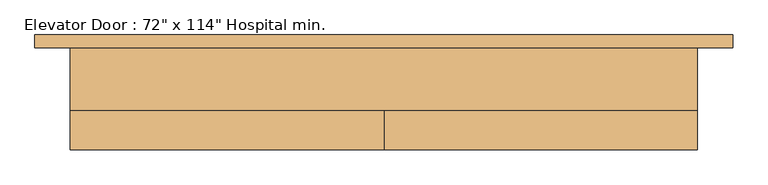
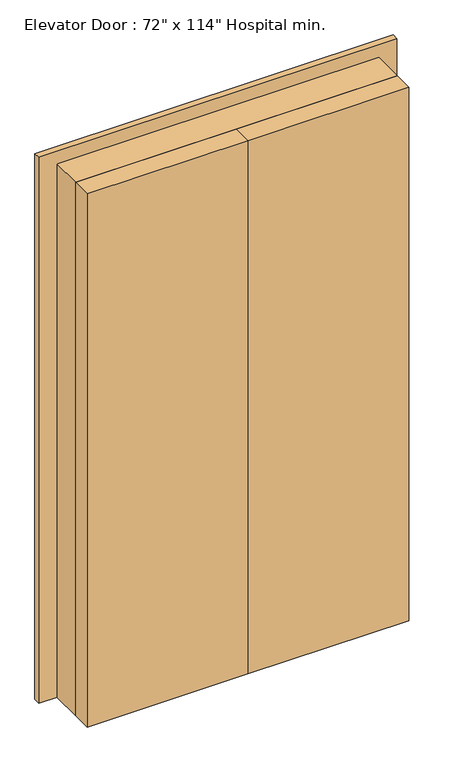
"""IFC4 building model written with IfcOpenShell, lengths in millimetres: door geometry."""

from ifc_helpers import new_model, si_unit, frame, origin, origin_with_axes, place, context, project, spatial, polyline, outline, extrude, source, transform, mapped, element, save


def door_99aececb(model_context):
    return source(origin(), model_context, "Body", "SweptSolid", [
        extrude(outline(polyline([(0.0, -784.9356443), (0.0, -708.7356443), (2133.6, -708.7356443), (2133.6, 510.4643557), (0.0, 510.4643557), (0.0, 586.6643557), (2209.8, 586.6643557), (2209.8, -784.9356443), (0.0, -784.9356443)])), frame((0.0, 61.9125, 0.0), z_axis=(0.0, 1.0, 0.0), x_axis=(0.0, 0.0, 1.0)), (0.0, 0.0, 1.0), 25.4),
        extrude(outline(polyline([(-99.1356443, -61.9125), (-99.1356443, -138.1125), (-715.0856443, -138.1125), (-715.0856443, -61.9125), (-99.1356443, -61.9125)])), origin_with_axes(), (0.0, 0.0, 1.0), 2159.0),
        extrude(outline(polyline([(516.8143557, -61.9125), (516.8143557, -138.1125), (-99.1356443, -138.1125), (-99.1356443, -61.9125), (516.8143557, -61.9125)])), origin_with_axes(), (0.0, 0.0, 1.0), 2159.0),
        extrude(outline(polyline([(0.0, -715.0856443), (0.0, -708.7356443), (2133.6, -708.7356443), (2133.6, 510.4643557), (0.0, 510.4643557), (0.0, 516.8143557), (2159.0, 516.8143557), (2159.0, -715.0856443), (0.0, -715.0856443)])), frame((0.0, -61.9125, 0.0), z_axis=(0.0, 1.0, 0.0), x_axis=(0.0, 0.0, 1.0)), (0.0, 0.0, 1.0), 123.825),
    ])


if __name__ == "__main__":
    model = new_model("IFC4")
    model_context = context("Model", 3, world=origin())
    ifc_project = project(units=[si_unit("LENGTHUNIT", "METRE", prefix="MILLI")], contexts=[model_context])
    site = spatial("IfcSite", under=ifc_project)
    building = spatial("IfcBuilding", under=site)
    placement = place(None, origin())
    door_shape = door_99aececb(model_context)
    element("IfcDoor", 1, ObjectType="Elevator Door : 72\" x 114\" Hospital min.", at=placement, inside=building, context=model_context, shape_type="MappedRepresentation", body=[
        mapped(door_shape, transform((0.0, 0.0, 0.0), x_axis=(1.0, 0.0, 0.0), y_axis=(0.0, 1.0, 0.0), z_axis=(0.0, 0.0, 1.0))),
    ])
    save(model, "model.ifc")
